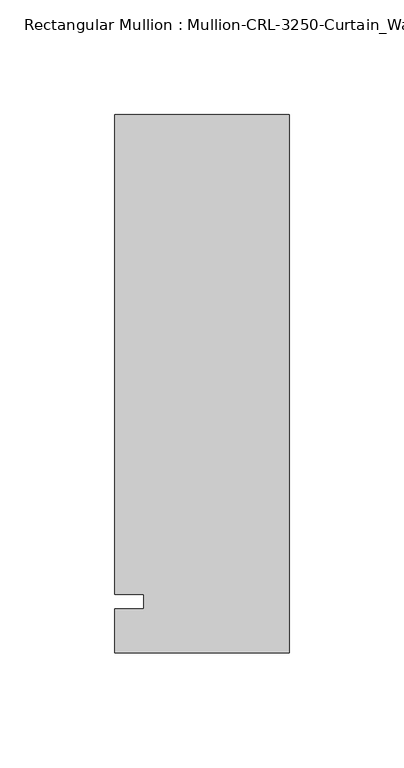
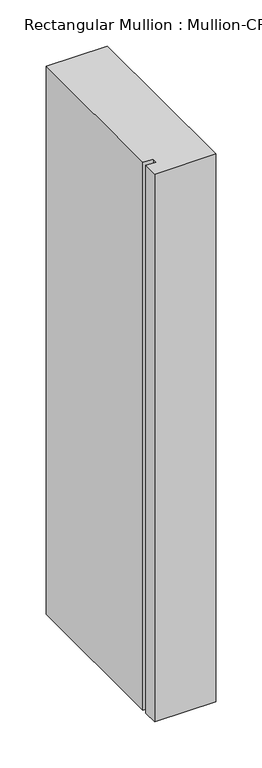
"""IFC4 building model written with IfcOpenShell, lengths in millimetres: member geometry."""

from ifc_helpers import new_model, si_unit, frame, origin, place, context, project, spatial, polyline, outline, extrude, source, transform, mapped, element, save


def member_5122dbac(model_context):
    return source(origin(), model_context, "Body", "SweptSolid", [
        extrude(outline(polyline([(-76.199997, -3.175), (-63.499997, -3.175), (-63.499997, 3.175), (-76.199997, 3.175), (-76.199997, 212.725), (0.0, 212.725), (0.0, -22.2254168), (-76.199997, -22.2254168), (-76.199997, -3.175)])), frame((0.0, 0.0, -723.9000045), z_axis=(0.0, 0.0, 1.0), x_axis=(1.0, 0.0, 0.0)), (0.0, 0.0, 1.0), 723.9000045),
    ])


if __name__ == "__main__":
    model = new_model("IFC4")
    model_context = context("Model", 3, world=origin())
    ifc_project = project(units=[si_unit("LENGTHUNIT", "METRE", prefix="MILLI")], contexts=[model_context])
    site = spatial("IfcSite", under=ifc_project)
    building = spatial("IfcBuilding", under=site)
    placement = place(None, origin())
    member_shape = member_5122dbac(model_context)
    element("IfcMember", 1, ObjectType="Rectangular Mullion : Mullion-CRL-3250-Curtain_Wall-Sill-8\"", at=placement, inside=building, context=model_context, shape_type="MappedRepresentation", body=[
        mapped(member_shape, transform((0.0, 0.0, 0.0), x_axis=(1.0, 0.0, 0.0), y_axis=(0.0, 1.0, 0.0), z_axis=(0.0, 0.0, 1.0))),
    ])
    save(model, "model.ifc")
